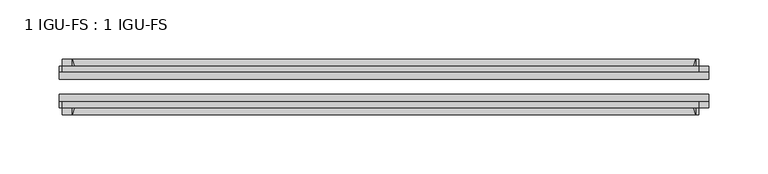
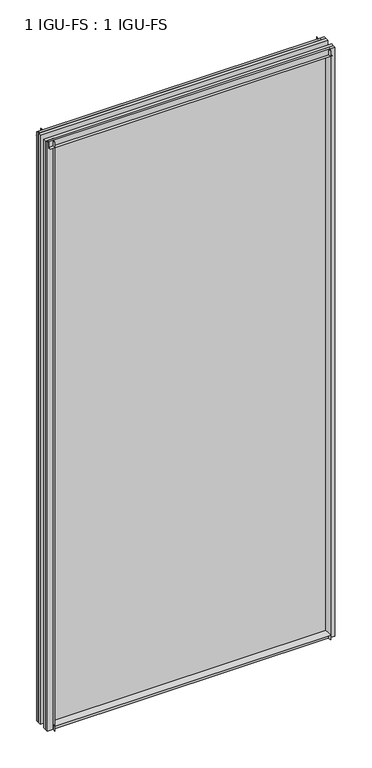
"""IFC4 building model written with IfcOpenShell, lengths in millimetres: plate geometry, 1 IGU-FS : 1 IGU-FS."""

from ifc_helpers import new_model, si_unit, point, frame, frame_2d, origin, place, context, project, spatial, polyline, circle_curve, trimmed, segment, composite_curve, outline, extrude, source, transform, mapped, element, save


def plate_1_igu_fs_1_igu_fs_8b925018(model_context):
    return source(origin(), model_context, "Body", "SweptSolid", [
        extrude(outline(composite_curve([segment(polyline([(-44.859575, -9.525), (-44.859575, 0.0), (-50.8285753, 0.0)]), True, "CONTINUOUS"), segment(trimmed(circle_curve(frame_2d((-56.4601953, 32.279754)), 32.7673262), [point((-50.8285753, 0.0))], [point((-40.084375, 3.8978906))], True, "CARTESIAN"), True, "CONTINUOUS"), segment(polyline([(-40.084375, 3.8978906), (-40.084375, -9.525), (-44.859575, -9.525)]), True, "CONTINUOUS")], self_intersect=False)), frame((-263.5238094, 0.0, 0.0), z_axis=(1.0, 0.0, 0.0), x_axis=(0.0, 1.0, 0.0)), (0.0, 0.0, 1.0), 527.0476187),
        extrude(outline(composite_curve([segment(polyline([(-9.909175, -9.525), (-14.684375, -9.525), (-14.684375, 3.8978906)]), True, "CONTINUOUS"), segment(trimmed(circle_curve(frame_2d((1.6914453, 32.279754)), 32.7673262), [point((-14.684375, 3.8978906))], [point((-3.9401747, 0.0))], True, "CARTESIAN"), True, "CONTINUOUS"), segment(polyline([(-3.9401747, 0.0), (-9.909175, 0.0), (-9.909175, -9.525)]), True, "CONTINUOUS")], self_intersect=False)), frame((-263.5238094, 0.0, 0.0), z_axis=(1.0, 0.0, 0.0), x_axis=(0.0, 1.0, 0.0)), (0.0, 0.0, 1.0), 527.0476187),
        extrude(outline(composite_curve([segment(polyline([(-9.909175, 1179.5125), (-9.909175, 1168.4), (-3.9401753, 1168.4)]), True, "CONTINUOUS"), segment(trimmed(circle_curve(frame_2d((1.6914453, 1136.1202461)), 32.7673262), [point((-3.9401753, 1168.4))], [point((-14.684375, 1164.5021095))], True, "CARTESIAN"), True, "CONTINUOUS"), segment(polyline([(-14.684375, 1164.5021095), (-14.684375, 1179.5125), (-9.909175, 1179.5125)]), True, "CONTINUOUS")], self_intersect=False)), frame((-272.036548, 0.0, 0.0), z_axis=(1.0, 0.0, 0.0), x_axis=(0.0, 1.0, 0.0)), (0.0, 0.0, 1.0), 538.1063189),
        extrude(outline(composite_curve([segment(polyline([(-40.084375, 1179.5125), (-40.084375, 1164.5021095)]), True, "CONTINUOUS"), segment(trimmed(circle_curve(frame_2d((-56.4601953, 1136.1202461)), 32.7673262), [point((-40.084375, 1164.5021095))], [point((-50.8285747, 1168.4))], True, "CARTESIAN"), True, "CONTINUOUS"), segment(polyline([(-50.8285747, 1168.4), (-44.859575, 1168.4), (-44.859575, 1179.5125), (-40.084375, 1179.5125)]), True, "CONTINUOUS")], self_intersect=False)), frame((-272.036548, 0.0, 0.0), z_axis=(1.0, 0.0, 0.0), x_axis=(0.0, 1.0, 0.0)), (0.0, 0.0, 1.0), 538.1063189),
        extrude(outline(composite_curve([segment(polyline([(274.6363094, -9.909175), (274.6363094, -14.684375), (259.6259189, -14.684375)]), True, "CONTINUOUS"), segment(trimmed(circle_curve(frame_2d((231.2440554, 1.6914453)), 32.7673262), [point((259.6259189, -14.684375))], [point((263.5238094, -3.940175))], True, "CARTESIAN"), True, "CONTINUOUS"), segment(polyline([(263.5238094, -3.940175), (263.5238094, -9.909175), (274.6363094, -9.909175)]), True, "CONTINUOUS")], self_intersect=False)), frame((0.0, 0.0, -9.525), z_axis=(0.0, 0.0, 1.0), x_axis=(1.0, 0.0, 0.0)), (0.0, 0.0, 1.0), 1189.0375),
        extrude(outline(composite_curve([segment(polyline([(274.6363094, -40.084375), (274.6363094, -44.859575), (263.5238094, -44.859575), (263.5238094, -50.828575)]), True, "CONTINUOUS"), segment(trimmed(circle_curve(frame_2d((231.2440554, -56.4601953)), 32.7673262), [point((263.5238094, -50.828575))], [point((259.6259189, -40.084375))], True, "CARTESIAN"), True, "CONTINUOUS"), segment(polyline([(259.6259189, -40.084375), (274.6363094, -40.084375)]), True, "CONTINUOUS")], self_intersect=False)), frame((0.0, 0.0, -9.525), z_axis=(0.0, 0.0, 1.0), x_axis=(1.0, 0.0, 0.0)), (0.0, 0.0, 1.0), 1189.0375),
        extrude(outline(composite_curve([segment(polyline([(-274.6363094, -9.909175), (-263.5238094, -9.909175), (-263.5238094, -3.940175)]), True, "CONTINUOUS"), segment(trimmed(circle_curve(frame_2d((-231.2440554, 1.6914453)), 32.7673262), [point((-263.5238094, -3.940175))], [point((-259.6259189, -14.684375))], True, "CARTESIAN"), True, "CONTINUOUS"), segment(polyline([(-259.6259189, -14.684375), (-274.6363094, -14.684375), (-274.6363094, -9.909175)]), True, "CONTINUOUS")], self_intersect=False)), frame((0.0, 0.0, -9.525), z_axis=(0.0, 0.0, 1.0), x_axis=(1.0, 0.0, 0.0)), (0.0, 0.0, 1.0), 1189.0375),
        extrude(outline(composite_curve([segment(polyline([(-274.6363094, -44.859575), (-274.6363094, -40.084375), (-259.6259189, -40.084375)]), True, "CONTINUOUS"), segment(trimmed(circle_curve(frame_2d((-231.2440554, -56.4601953)), 32.7673262), [point((-259.6259189, -40.084375))], [point((-263.5238094, -50.828575))], True, "CARTESIAN"), True, "CONTINUOUS"), segment(polyline([(-263.5238094, -50.828575), (-263.5238094, -44.859575), (-274.6363094, -44.859575)]), True, "CONTINUOUS")], self_intersect=False)), frame((0.0, 0.0, -9.525), z_axis=(0.0, 0.0, 1.0), x_axis=(1.0, 0.0, 0.0)), (0.0, 0.0, 1.0), 1189.0375),
        extrude(outline(polyline([(-274.6363094, -40.084375), (-274.6363094, -33.785175), (274.6363094, -33.785175), (274.6363094, -40.084375), (-274.6363094, -40.084375)])), frame((0.0, 0.0, -9.525), z_axis=(0.0, 0.0, 1.0), x_axis=(1.0, 0.0, 0.0)), (0.0, 0.0, 1.0), 1189.0375),
        extrude(outline(polyline([(274.6363094, -20.983575), (-274.6363094, -20.983575), (-274.6363094, -14.684375), (274.6363094, -14.684375), (274.6363094, -20.983575)])), frame((0.0, 0.0, -9.525), z_axis=(0.0, 0.0, 1.0), x_axis=(1.0, 0.0, 0.0)), (0.0, 0.0, 1.0), 1189.0375),
    ])


if __name__ == "__main__":
    model = new_model("IFC4")
    model_context = context("Model", 3, world=origin())
    ifc_project = project(units=[si_unit("LENGTHUNIT", "METRE", prefix="MILLI")], contexts=[model_context])
    site = spatial("IfcSite", under=ifc_project)
    building = spatial("IfcBuilding", under=site)
    placement = place(None, origin())
    plate_1_igu_fs_1_igu_fs_shape = plate_1_igu_fs_1_igu_fs_8b925018(model_context)
    element("IfcPlate", 1, ObjectType="1 IGU-FS : 1 IGU-FS", at=placement, inside=building, context=model_context, shape_type="MappedRepresentation", body=[
        mapped(plate_1_igu_fs_1_igu_fs_shape, transform((0.0, 0.0, 0.0), x_axis=(1.0, 0.0, 0.0), y_axis=(0.0, 1.0, 0.0), z_axis=(0.0, 0.0, 1.0))),
    ])
    save(model, "model.ifc")
